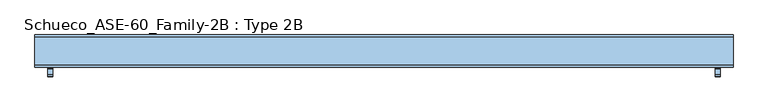
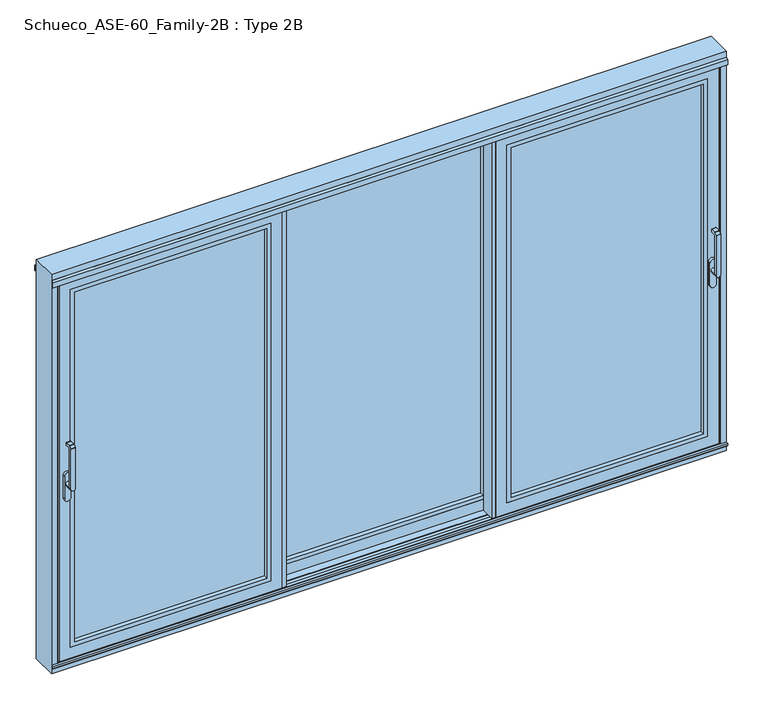
"""IFC4 building model written with IfcOpenShell, lengths in millimetres: window geometry, Schueco_ASE-60_Family-2B : Type 2B."""

from ifc_helpers import new_model, si_unit, point, frame, frame_2d, origin, origin_with_axes, place, context, project, spatial, polyline, circle_curve, trimmed, segment, composite_curve, outline, extrude, faceted_brep, source, transform, mapped, element, save
from ifc_brep_helpers import plane_surface, cylinder_surface, revolved_surface, advanced_brep


def schueco_ase_60_family_2b_type_2b_d798ba07(model_context):
    return source(origin(), model_context, "Body", "SolidModel", [
        extrude(outline(polyline([(647.6683546, 80.0), (647.6683546, 4.0000255), (596.6667615, 4.0000255), (596.6667615, 20.0000255), (643.8682895, 20.0000255), (643.8682895, 74.5), (627.6683851, 74.5), (627.6683851, 80.0), (647.6683546, 80.0)])), frame((0.0, 0.0, 3.9982816), z_axis=(0.0, 0.0, 1.0), x_axis=(1.0, 0.0, 0.0)), (0.0, 0.0, 1.0), 2127.0034368),
        extrude(outline(polyline([(-647.6683546, 80.0), (-627.6683851, 80.0), (-627.6683851, 74.5), (-643.8682895, 74.5), (-643.8682895, 20.0000255), (-596.6667615, 20.0000255), (-596.6667615, 4.0000255), (-647.6683546, 4.0000255), (-647.6683546, 80.0)])), frame((0.0, 0.0, 3.9982816), z_axis=(0.0, 0.0, 1.0), x_axis=(1.0, 0.0, 0.0)), (0.0, 0.0, 1.0), 2127.0034368),
        extrude(outline(polyline([(2071.0, -567.6666667), (64.0, -567.6666667), (64.0, 567.6666667), (2071.0, 567.6666667), (2071.0, -567.6666667)]), holes=[polyline([(2048.987351, 545.6540176), (86.012649, 545.6540176), (86.012649, -545.6540176), (2048.987351, -545.6540176), (2048.987351, 545.6540176)])]), frame((0.0, 20.0000255, 0.0), z_axis=(0.0, 1.0, 0.0), x_axis=(0.0, 0.0, 1.0)), (0.0, 0.0, 1.0), 22.9999656),
        extrude(outline(polyline([(-567.6666667, 68.9999911), (567.6666667, 68.9999911), (567.6666667, 42.9999911), (-567.6666667, 42.9999911), (-567.6666667, 68.9999911)])), frame((0.0, 0.0, 64.0), z_axis=(0.0, 0.0, 1.0), x_axis=(1.0, 0.0, 0.0)), (0.0, 0.0, 1.0), 2007.0),
        faceted_brep([(545.6666667, 68.9999911, 2049.0), (545.6666667, 80.0, 2049.0), (545.6666667, 80.0, 86.0), (545.6666667, 68.9999911, 86.0), (627.6683851, 80.0, 2131.0017184), (627.6683851, 80.0, 3.9982816), (-627.6683851, 80.0, 3.9982816), (-627.6683851, 80.0, 2131.0017184), (-545.6666667, 80.0, 2049.0), (-545.6666667, 80.0, 86.0), (-545.6666667, 68.9999911, 86.0), (-567.6666667, 68.9999911, 2071.0), (-567.6666667, 68.9999911, 64.0), (567.6666667, 68.9999911, 64.0), (567.6666667, 68.9999911, 2071.0), (-545.6666667, 68.9999911, 2049.0), (567.6666667, 20.0000255, 2071.0), (567.6666667, 20.0000255, 64.0), (-567.6666667, 20.0000255, 64.0), (-627.6666667, 20.0000255, 2131.0), (-627.6666667, 20.0000255, 4.0), (627.6666667, 20.0000255, 4.0), (627.6666667, 20.0000255, 2131.0), (-567.6666667, 20.0000255, 2071.0), (627.6666667, 25.5000255, 2131.0), (627.6666667, 25.5000255, 4.0), (-627.6666667, 25.5000255, 4.0), (-627.6666667, 25.5000255, 2131.0), (-597.6666667, 25.5000255, 2101.0), (-597.6666667, 25.5000255, 34.0), (597.6666667, 25.5000255, 34.0), (597.6666667, 25.5000255, 2101.0), (597.6666667, 74.5000332, 2101.0), (597.6666667, 74.5000332, 34.0), (-597.6666667, 74.5000332, 34.0), (-627.6683851, 74.5000332, 2131.0017184), (-627.6683851, 74.5000332, 3.9982816), (627.6683851, 74.5000332, 3.9982816), (627.6683851, 74.5000332, 2131.0017184), (-597.6666667, 74.5000332, 2101.0)], [[[0, 1, 2, 3]], [[4, 5, 6, 7], [8, 9, 2, 1]], [[3, 2, 9, 10]], [[11, 12, 13, 14], [0, 3, 10, 15]], [[16, 14, 13, 17]], [[17, 13, 12, 18]], [[19, 20, 21, 22], [16, 17, 18, 23]], [[24, 22, 21, 25]], [[25, 21, 20, 26]], [[24, 25, 26, 27], [28, 29, 30, 31]], [[32, 31, 30, 33]], [[33, 30, 29, 34]], [[35, 36, 37, 38], [32, 33, 34, 39]], [[4, 38, 37, 5]], [[5, 37, 36, 6]], [[10, 9, 8, 15]], [[18, 12, 11, 23]], [[26, 20, 19, 27]], [[34, 29, 28, 39]], [[6, 36, 35, 7]], [[15, 8, 1, 0]], [[23, 11, 14, 16]], [[27, 19, 22, 24]], [[39, 28, 31, 32]], [[7, 35, 38, 4]]]),
        advanced_brep(
        [(1699.75, -109.9999695, 1214.6494011), (1723.75, -109.9999695, 1214.6494011), (1723.75, -109.9999695, 999.0), (1699.75, -109.9999695, 999.005052), (1723.75, -73.9999695, 999.005052), (1699.75, -73.9999695, 999.005052), (1699.75, -121.414183, 1225.6502145), (1723.75, -121.414183, 1225.6502145), (1723.75, -110.6501229, 1236.4142746), (1699.75, -110.6501229, 1236.4142746), (1723.75, -121.9999695, 999.0), (1723.75, -121.9999695, 1224.2360009), (1699.75, -121.9999695, 1224.2360009), (1699.75, -121.9999695, 999.0), (1699.75, -109.2359094, 1237.000061), (1699.75, -81.9999695, 1237.000061), (1699.75, -79.9999695, 1235.000061), (1699.75, -79.9999695, 1224.000061), (1699.75, -81.9999695, 1222.000061), (1699.75, -102.6493095, 1222.000061), (1723.75, -102.6493095, 1222.000061), (1723.75, -81.9999695, 1222.000061), (1723.75, -79.9999695, 1224.000061), (1723.75, -79.9999695, 1235.000061), (1723.75, -81.9999695, 1237.000061), (1723.75, -109.2359094, 1237.000061)],
        [
            (0, 1),
            (1, 2),
            (2, 3, circle_curve(frame((1711.75, -109.9999695, 999.005052), z_axis=(0.0, -1.0, 0.0), x_axis=(-1.0, 0.0, 0.0)), 12.0)),
            (3, 0),
            (4, 5, circle_curve(frame((1711.75, -73.9999695, 999.005052), z_axis=(0.0, 1.0, 0.0), x_axis=(-1.0, 0.0, 0.0)), 12.0)),
            (5, 4, circle_curve(frame((1711.75, -73.9999695, 999.005052), z_axis=(0.0, 1.0, 0.0), x_axis=(-1.0, 0.0, 0.0)), 12.0)),
            (6, 7),
            (7, 8),
            (8, 9),
            (9, 6),
            (10, 11),
            (11, 12),
            (12, 13),
            (13, 10, circle_curve(frame((1711.75, -121.9999695, 999.005052), z_axis=(0.0, -1.0, 0.0), x_axis=(-1.0, 0.0, 0.0)), 12.0)),
            (13, 3),
            (3, 5),
            (4, 2),
            (2, 10),
            (12, 6, circle_curve(frame((1699.75, -119.9999695, 1224.2360009), z_axis=(-1.0, 0.0, 0.0), x_axis=(0.0, 0.0, -1.0)), 2.0)),
            (9, 14, circle_curve(frame((1699.75, -109.2359094, 1235.000061), z_axis=(-1.0, 0.0, 0.0), x_axis=(0.0, 0.0, -1.0)), 2.0)),
            (14, 15),
            (15, 16, circle_curve(frame((1699.75, -81.9999695, 1235.000061), z_axis=(-1.0, 0.0, 0.0), x_axis=(0.0, 0.0, -1.0)), 2.0)),
            (16, 17),
            (17, 18, circle_curve(frame((1699.75, -81.9999695, 1224.000061), z_axis=(-1.0, 0.0, 0.0), x_axis=(0.0, 0.0, -1.0)), 2.0)),
            (18, 19),
            (19, 0, circle_curve(frame((1699.75, -102.6493095, 1214.6494011), z_axis=(1.0, 0.0, 0.0), x_axis=(0.0, 0.0, -1.0)), 7.35066)),
            (1, 20, circle_curve(frame((1723.75, -102.6493095, 1214.6494011), z_axis=(-1.0, 0.0, 0.0), x_axis=(0.0, 0.0, -1.0)), 7.35066)),
            (20, 21),
            (21, 22, circle_curve(frame((1723.75, -81.9999695, 1224.000061), z_axis=(1.0, 0.0, 0.0), x_axis=(0.0, 0.0, -1.0)), 2.0)),
            (22, 23),
            (23, 24, circle_curve(frame((1723.75, -81.9999695, 1235.000061), z_axis=(1.0, 0.0, 0.0), x_axis=(0.0, 0.0, -1.0)), 2.0)),
            (24, 25),
            (25, 8, circle_curve(frame((1723.75, -109.2359094, 1235.000061), z_axis=(1.0, 0.0, 0.0), x_axis=(0.0, 0.0, -1.0)), 2.0)),
            (7, 11, circle_curve(frame((1723.75, -119.9999695, 1224.2360009), z_axis=(1.0, 0.0, 0.0), x_axis=(0.0, 0.0, -1.0)), 2.0)),
            (19, 20),
            (18, 21),
            (17, 22),
            (16, 23),
            (15, 24),
            (14, 25),
        ],
        [
            plane_surface(frame((1699.75, -109.9999695, 999.0), z_axis=(0.0, 1.0, 0.0), x_axis=(1.0, 0.0, 0.0))),
            plane_surface(frame((1699.75, -73.9999695, 999.005052), z_axis=(0.0, 1.0, 0.0), x_axis=(0.0, 0.0, -1.0))),
            plane_surface(frame((1699.75, -110.6501229, 1236.4142746), z_axis=(0.0, -0.7071067811865422, 0.7071067811865528), x_axis=(1.0, 0.0, 0.0))),
            plane_surface(frame((1699.75, -121.9999695, 999.005052), z_axis=(0.0, -1.0, 0.0), x_axis=(0.0, 0.0, 1.0))),
            cylinder_surface(frame((1711.75, -73.9999695, 999.005052), z_axis=(0.0, -1.0, 0.0), x_axis=(-1.0, 0.0, 0.0)), 12.0),
            plane_surface(frame((1699.75, -121.9999695, 1004.7503433), z_axis=(-1.0, 0.0, 0.0), x_axis=(0.0, 0.0, -1.0))),
            plane_surface(frame((1723.75, -121.9999695, 1004.7503433), z_axis=(1.0, 0.0, 0.0), x_axis=(0.0, 0.0, 1.0))),
            revolved_surface(polyline([(1723.75, -102.6493095, 1207.2987411), (1699.75, -102.6493095, 1207.2987411)]), (1723.75, -102.6493095, 1214.6494011), (1.0, 0.0, 0.0)),
            plane_surface(frame((1699.75, -102.6493095, 1222.000061), z_axis=(0.0, 0.0, -1.0), x_axis=(1.0, 0.0, 0.0))),
            cylinder_surface(frame((1723.75, -81.9999695, 1224.000061), z_axis=(-1.0, 0.0, 0.0), x_axis=(0.0, 0.0, -1.0)), 2.0),
            plane_surface(frame((1699.75, -79.9999695, 1224.000061), z_axis=(0.0, 1.0, 0.0), x_axis=(1.0, 0.0, 0.0))),
            cylinder_surface(frame((1723.75, -81.9999695, 1235.000061), z_axis=(-1.0, 0.0, 0.0), x_axis=(0.0, 0.0, -1.0)), 2.0),
            plane_surface(frame((1699.75, -81.9999695, 1237.000061), z_axis=(0.0, 0.0, 1.0), x_axis=(1.0, 0.0, 0.0))),
            cylinder_surface(frame((1723.75, -109.2359094, 1235.000061), z_axis=(-1.0, 0.0, 0.0), x_axis=(0.0, 0.0, -1.0)), 2.0),
            cylinder_surface(frame((1723.75, -119.9999695, 1224.2360009), z_axis=(-1.0, 0.0, 0.0), x_axis=(0.0, 0.0, -1.0)), 2.0),
        ],
        [
            (0, [[1, 2, 3, 4]]),
            (1, [[5, 6]]),
            (2, [[7, 8, 9, 10]]),
            (3, [[11, 12, 13, 14]]),
            (4, [[15, 16, -5, 17, 18, -14]]),
            (4, [[-16, -3, -17, -6]]),
            (5, [[19, -10, 20, 21, 22, 23, 24, 25, 26, -4, -15, -13]]),
            (6, [[-11, -18, -2, 27, 28, 29, 30, 31, 32, 33, -8, 34]]),
            (7, [[35, -27, -1, -26]]),
            (8, [[36, -28, -35, -25]]),
            (9, [[37, -29, -36, -24]]),
            (10, [[38, -30, -37, -23]]),
            (11, [[39, -31, -38, -22]]),
            (12, [[40, -32, -39, -21]]),
            (13, [[-9, -33, -40, -20]]),
            (14, [[-12, -34, -7, -19]]),
        ],
    ),
        extrude(outline(composite_curve([segment(polyline([(917.2823932, 1728.5), (1044.0099288, 1728.5)]), True, "CONTINUOUS"), segment(trimmed(circle_curve(frame_2d((1044.0099288, 1711.75)), 16.75), [point((1044.0099288, 1728.5))], [point((1044.0099288, 1695.0))], False, "CARTESIAN"), True, "CONTINUOUS"), segment(polyline([(1044.0099288, 1695.0), (917.2823932, 1695.0)]), True, "CONTINUOUS"), segment(trimmed(circle_curve(frame_2d((917.2823932, 1711.75)), 16.75), [point((917.2823932, 1695.0))], [point((917.2823932, 1728.5))], False, "CARTESIAN"), True, "CONTINUOUS")], self_intersect=False)), frame((0.0, -73.9999695, 0.0), z_axis=(0.0, 1.0, 0.0), x_axis=(0.0, 0.0, 1.0)), (0.0, 0.0, 1.0), 13.9999695),
        extrude(outline(polyline([(596.6682903, 15.9999745), (596.6682903, -2.55e-05), (549.4667622, -2.55e-05), (549.4667622, -54.5), (565.6666667, -54.5), (565.6666667, -60.0), (545.6666972, -60.0), (545.6666972, 15.9999745), (596.6682903, 15.9999745)])), frame((0.0, 0.0, 4.0), z_axis=(0.0, 0.0, 1.0), x_axis=(1.0, 0.0, 0.0)), (0.0, 0.0, 1.0), 2127.0),
        extrude(outline(polyline([(2071.0, 1690.0), (2071.0, 625.6666667), (64.0, 625.6666667), (64.0, 1690.0), (2071.0, 1690.0)]), holes=[polyline([(2048.987351, 647.6793157), (2048.987351, 1667.987351), (86.012649, 1667.987351), (86.012649, 647.6793157), (2048.987351, 647.6793157)])]), frame((0.0, -60.0, 0.0), z_axis=(0.0, 1.0, 0.0), x_axis=(0.0, 0.0, 1.0)), (0.0, 0.0, 1.0), 22.9999656),
        extrude(outline(polyline([(1690.0, -11.0000344), (1690.0, -37.0000344), (625.6666667, -37.0000344), (625.6666667, -11.0000344), (1690.0, -11.0000344)])), frame((0.0, 0.0, 64.0), z_axis=(0.0, 0.0, 1.0), x_axis=(1.0, 0.0, 0.0)), (0.0, 0.0, 1.0), 2007.0),
        faceted_brep([(1750.0, -54.5, 2131.0), (565.6666667, -54.5, 2131.0), (565.6666667, -60.0, 2131.0), (1750.0, -60.0, 2131.0), (647.6666667, -11.0000344, 2049.0), (647.6666667, -11.0000344, 86.0), (647.6666667, -2.55e-05, 86.0), (647.6666667, -2.55e-05, 2049.0), (565.6649483, -2.55e-05, 2131.0017184), (1750.0017184, -2.55e-05, 2131.0017184), (1750.0017184, -2.55e-05, 3.9982816), (565.6649483, -2.55e-05, 3.9982816), (1668.0, -2.55e-05, 2049.0), (1668.0, -2.55e-05, 86.0), (1668.0, -11.0000344, 86.0), (1690.0, -11.0000344, 2071.0), (625.6666667, -11.0000344, 2071.0), (625.6666667, -11.0000344, 64.0), (1690.0, -11.0000344, 64.0), (1668.0, -11.0000344, 2049.0), (625.6666667, -60.0, 2071.0), (625.6666667, -60.0, 64.0), (1690.0, -60.0, 64.0), (565.6666667, -60.0, 4.0), (1750.0, -60.0, 4.0), (1690.0, -60.0, 2071.0), (565.6666667, -54.5, 4.0), (1750.0, -54.5, 4.0), (1720.0, -54.5, 2101.0), (595.6666667, -54.5, 2101.0), (595.6666667, -54.5, 34.0), (1720.0, -54.5, 34.0), (595.6666667, -5.4999923, 2101.0), (595.6666667, -5.4999923, 34.0), (1750.0017184, -5.4999923, 2131.0017184), (565.6649483, -5.4999923, 2131.0017184), (565.6649483, -5.4999923, 3.9982816), (1750.0017184, -5.4999923, 3.9982816), (1720.0, -5.4999923, 2101.0), (1720.0, -5.4999923, 34.0)], [[[0, 1, 2, 3]], [[4, 5, 6, 7]], [[8, 9, 10, 11], [12, 7, 6, 13]], [[5, 14, 13, 6]], [[15, 16, 17, 18], [4, 19, 14, 5]], [[20, 21, 17, 16]], [[21, 22, 18, 17]], [[3, 2, 23, 24], [20, 25, 22, 21]], [[1, 26, 23, 2]], [[26, 27, 24, 23]], [[1, 0, 27, 26], [28, 29, 30, 31]], [[32, 33, 30, 29]], [[34, 35, 36, 37], [32, 38, 39, 33]], [[8, 11, 36, 35]], [[27, 0, 3, 24]], [[19, 4, 7, 12]], [[25, 20, 16, 15]], [[33, 39, 31, 30]], [[11, 10, 37, 36]], [[14, 19, 12, 13]], [[22, 25, 15, 18]], [[39, 38, 28, 31]], [[10, 9, 34, 37]], [[38, 32, 29, 28]], [[9, 8, 35, 34]]]),
        advanced_brep(
        [(-1699.75, -109.9999695, 1214.6494011), (-1699.75, -109.9999695, 999.0), (-1723.75, -109.9999695, 999.005052), (-1723.75, -109.9999695, 1214.6494011), (-1723.75, -73.9999695, 999.005052), (-1699.75, -73.9999695, 999.005052), (-1699.75, -121.414183, 1225.6502145), (-1699.75, -110.6501229, 1236.4142746), (-1723.75, -110.6501229, 1236.4142746), (-1723.75, -121.414183, 1225.6502145), (-1723.75, -121.9999695, 999.005052), (-1699.75, -121.9999695, 999.005052), (-1699.75, -121.9999695, 1224.2360009), (-1723.75, -121.9999695, 1224.2360009), (-1699.75, -102.6493095, 1222.000061), (-1699.75, -81.9999695, 1222.000061), (-1699.75, -79.9999695, 1224.000061), (-1699.75, -79.9999695, 1235.000061), (-1699.75, -81.9999695, 1237.000061), (-1699.75, -109.2359094, 1237.000061), (-1723.75, -109.2359094, 1237.000061), (-1723.75, -81.9999695, 1237.000061), (-1723.75, -79.9999695, 1235.000061), (-1723.75, -79.9999695, 1224.000061), (-1723.75, -81.9999695, 1222.000061), (-1723.75, -102.6493095, 1222.000061)],
        [
            (0, 1),
            (1, 2, circle_curve(frame((-1711.75, -109.9999695, 999.005052), z_axis=(0.0, -1.0, 0.0), x_axis=(1.0, 0.0, 0.0)), 12.0)),
            (2, 3),
            (3, 0),
            (4, 5, circle_curve(frame((-1711.75, -73.9999695, 999.005052), z_axis=(0.0, 1.0, 0.0), x_axis=(1.0, 0.0, 0.0)), 12.0)),
            (5, 4, circle_curve(frame((-1711.75, -73.9999695, 999.005052), z_axis=(0.0, 1.0, 0.0), x_axis=(1.0, 0.0, 0.0)), 12.0)),
            (6, 7),
            (7, 8),
            (8, 9),
            (9, 6),
            (10, 11, circle_curve(frame((-1711.75, -121.9999695, 999.005052), z_axis=(0.0, -1.0, 0.0), x_axis=(1.0, 0.0, 0.0)), 12.0)),
            (11, 12),
            (12, 13),
            (13, 10),
            (10, 2),
            (2, 4),
            (5, 1),
            (1, 11),
            (0, 14, circle_curve(frame((-1699.75, -102.6493095, 1214.6494011), z_axis=(-1.0, 0.0, 0.0), x_axis=(0.0, 0.0, -1.0)), 7.35066)),
            (14, 15),
            (15, 16, circle_curve(frame((-1699.75, -81.9999695, 1224.000061), z_axis=(1.0, 0.0, 0.0), x_axis=(0.0, 0.0, -1.0)), 2.0)),
            (16, 17),
            (17, 18, circle_curve(frame((-1699.75, -81.9999695, 1235.000061), z_axis=(1.0, 0.0, 0.0), x_axis=(0.0, 0.0, -1.0)), 2.0)),
            (18, 19),
            (19, 7, circle_curve(frame((-1699.75, -109.2359094, 1235.000061), z_axis=(1.0, 0.0, 0.0), x_axis=(0.0, 0.0, -1.0)), 2.0)),
            (6, 12, circle_curve(frame((-1699.75, -119.9999695, 1224.2360009), z_axis=(1.0, 0.0, 0.0), x_axis=(0.0, 0.0, -1.0)), 2.0)),
            (13, 9, circle_curve(frame((-1723.75, -119.9999695, 1224.2360009), z_axis=(-1.0, 0.0, 0.0), x_axis=(0.0, 0.0, -1.0)), 2.0)),
            (8, 20, circle_curve(frame((-1723.75, -109.2359094, 1235.000061), z_axis=(-1.0, 0.0, 0.0), x_axis=(0.0, 0.0, -1.0)), 2.0)),
            (20, 21),
            (21, 22, circle_curve(frame((-1723.75, -81.9999695, 1235.000061), z_axis=(-1.0, 0.0, 0.0), x_axis=(0.0, 0.0, -1.0)), 2.0)),
            (22, 23),
            (23, 24, circle_curve(frame((-1723.75, -81.9999695, 1224.000061), z_axis=(-1.0, 0.0, 0.0), x_axis=(0.0, 0.0, -1.0)), 2.0)),
            (24, 25),
            (25, 3, circle_curve(frame((-1723.75, -102.6493095, 1214.6494011), z_axis=(1.0, 0.0, 0.0), x_axis=(0.0, 0.0, -1.0)), 7.35066)),
            (25, 14),
            (24, 15),
            (23, 16),
            (22, 17),
            (21, 18),
            (20, 19),
        ],
        [
            plane_surface(frame((-1699.75, -109.9999695, 999.0), z_axis=(0.0, 1.0, 0.0), x_axis=(-1.0, 0.0, 0.0))),
            plane_surface(frame((-1699.75, -73.9999695, 999.005052), z_axis=(0.0, 1.0, 0.0), x_axis=(0.0, 0.0, -1.0))),
            plane_surface(frame((-1699.75, -110.6501229, 1236.4142746), z_axis=(0.0, -0.7071067811865422, 0.7071067811865528), x_axis=(-1.0, 0.0, 0.0))),
            plane_surface(frame((-1699.75, -121.9999695, 999.005052), z_axis=(0.0, -1.0, 0.0), x_axis=(0.0, 0.0, 1.0))),
            cylinder_surface(frame((-1711.75, -73.9999695, 999.005052), z_axis=(0.0, -1.0, 0.0), x_axis=(1.0, 0.0, 0.0)), 12.0),
            plane_surface(frame((-1699.75, -121.9999695, 1004.7503433), z_axis=(1.0, 0.0, 0.0), x_axis=(0.0, 0.0, -1.0))),
            plane_surface(frame((-1723.75, -121.9999695, 1004.7503433), z_axis=(-1.0, 0.0, 0.0), x_axis=(0.0, 0.0, 1.0))),
            revolved_surface(polyline([(-1723.75, -102.6493095, 1207.2987411), (-1699.75, -102.6493095, 1207.2987411)]), (-1723.75, -102.6493095, 1214.6494011), (-1.0, 0.0, 0.0)),
            plane_surface(frame((-1699.75, -102.6493095, 1222.000061), z_axis=(0.0, 0.0, -1.0), x_axis=(-1.0, 0.0, 0.0))),
            cylinder_surface(frame((-1723.75, -81.9999695, 1224.000061), z_axis=(1.0, 0.0, 0.0), x_axis=(0.0, 0.0, -1.0)), 2.0),
            plane_surface(frame((-1699.75, -79.9999695, 1224.000061), z_axis=(0.0, 1.0, 0.0), x_axis=(-1.0, 0.0, 0.0))),
            cylinder_surface(frame((-1723.75, -81.9999695, 1235.000061), z_axis=(1.0, 0.0, 0.0), x_axis=(0.0, 0.0, -1.0)), 2.0),
            plane_surface(frame((-1699.75, -81.9999695, 1237.000061), z_axis=(0.0, 0.0, 1.0), x_axis=(-1.0, 0.0, 0.0))),
            cylinder_surface(frame((-1723.75, -109.2359094, 1235.000061), z_axis=(1.0, 0.0, 0.0), x_axis=(0.0, 0.0, -1.0)), 2.0),
            cylinder_surface(frame((-1723.75, -119.9999695, 1224.2360009), z_axis=(1.0, 0.0, 0.0), x_axis=(0.0, 0.0, -1.0)), 2.0),
        ],
        [
            (0, [[1, 2, 3, 4]]),
            (1, [[5, 6]]),
            (2, [[7, 8, 9, 10]]),
            (3, [[11, 12, 13, 14]]),
            (4, [[-11, 15, 16, -6, 17, 18]]),
            (4, [[-5, -16, -2, -17]]),
            (5, [[-12, -18, -1, 19, 20, 21, 22, 23, 24, 25, -7, 26]]),
            (6, [[27, -9, 28, 29, 30, 31, 32, 33, 34, -3, -15, -14]]),
            (7, [[-19, -4, -34, 35]]),
            (8, [[-20, -35, -33, 36]]),
            (9, [[-21, -36, -32, 37]]),
            (10, [[-22, -37, -31, 38]]),
            (11, [[-23, -38, -30, 39]]),
            (12, [[-24, -39, -29, 40]]),
            (13, [[-25, -40, -28, -8]]),
            (14, [[-26, -10, -27, -13]]),
        ],
    ),
        extrude(outline(composite_curve([segment(trimmed(circle_curve(frame_2d((917.2823932, -1711.75)), 16.75), [point((917.2823932, -1728.5))], [point((917.2823932, -1695.0))], False, "CARTESIAN"), True, "CONTINUOUS"), segment(polyline([(917.2823932, -1695.0), (1044.0099288, -1695.0)]), True, "CONTINUOUS"), segment(trimmed(circle_curve(frame_2d((1044.0099288, -1711.75)), 16.75), [point((1044.0099288, -1695.0))], [point((1044.0099288, -1728.5))], False, "CARTESIAN"), True, "CONTINUOUS"), segment(polyline([(1044.0099288, -1728.5), (917.2823932, -1728.5)]), True, "CONTINUOUS")], self_intersect=False)), frame((0.0, -73.9999695, 0.0), z_axis=(0.0, 1.0, 0.0), x_axis=(0.0, 0.0, 1.0)), (0.0, 0.0, 1.0), 13.9999695),
        extrude(outline(polyline([(-596.6682903, 15.9999745), (-545.6666972, 15.9999745), (-545.6666972, -60.0), (-565.6666667, -60.0), (-565.6666667, -54.5), (-549.4667622, -54.5), (-549.4667622, -2.55e-05), (-596.6682903, -2.55e-05), (-596.6682903, 15.9999745)])), frame((0.0, 0.0, 4.0), z_axis=(0.0, 0.0, 1.0), x_axis=(1.0, 0.0, 0.0)), (0.0, 0.0, 1.0), 2127.0),
        extrude(outline(polyline([(2071.0, -1690.0), (64.0, -1690.0), (64.0, -625.6666667), (2071.0, -625.6666667), (2071.0, -1690.0)]), holes=[polyline([(2048.987351, -647.6793157), (86.012649, -647.6793157), (86.012649, -1667.987351), (2048.987351, -1667.987351), (2048.987351, -647.6793157)])]), frame((0.0, -60.0, 0.0), z_axis=(0.0, 1.0, 0.0), x_axis=(0.0, 0.0, 1.0)), (0.0, 0.0, 1.0), 22.9999656),
        extrude(outline(polyline([(-1690.0, -11.0000344), (-625.6666667, -11.0000344), (-625.6666667, -37.0000344), (-1690.0, -37.0000344), (-1690.0, -11.0000344)])), frame((0.0, 0.0, 64.0), z_axis=(0.0, 0.0, 1.0), x_axis=(1.0, 0.0, 0.0)), (0.0, 0.0, 1.0), 2007.0),
        faceted_brep([(-1750.0, -54.5, 2131.0), (-1750.0, -60.0, 2131.0), (-565.6666667, -60.0, 2131.0), (-565.6666667, -54.5, 2131.0), (-647.6666667, -11.0000344, 2049.0), (-647.6666667, -2.55e-05, 2049.0), (-647.6666667, -2.55e-05, 86.0), (-647.6666667, -11.0000344, 86.0), (-565.6649483, -2.55e-05, 2131.0017184), (-565.6649483, -2.55e-05, 3.9982816), (-1750.0017184, -2.55e-05, 3.9982816), (-1750.0017184, -2.55e-05, 2131.0017184), (-1668.0, -2.55e-05, 2049.0), (-1668.0, -2.55e-05, 86.0), (-1668.0, -11.0000344, 86.0), (-1690.0, -11.0000344, 2071.0), (-1690.0, -11.0000344, 64.0), (-625.6666667, -11.0000344, 64.0), (-625.6666667, -11.0000344, 2071.0), (-1668.0, -11.0000344, 2049.0), (-625.6666667, -60.0, 2071.0), (-625.6666667, -60.0, 64.0), (-1690.0, -60.0, 64.0), (-1750.0, -60.0, 4.0), (-565.6666667, -60.0, 4.0), (-1690.0, -60.0, 2071.0), (-565.6666667, -54.5, 4.0), (-1750.0, -54.5, 4.0), (-1720.0, -54.5, 2101.0), (-1720.0, -54.5, 34.0), (-595.6666667, -54.5, 34.0), (-595.6666667, -54.5, 2101.0), (-595.6666667, -5.4999923, 2101.0), (-595.6666667, -5.4999923, 34.0), (-1750.0017184, -5.4999923, 2131.0017184), (-1750.0017184, -5.4999923, 3.9982816), (-565.6649483, -5.4999923, 3.9982816), (-565.6649483, -5.4999923, 2131.0017184), (-1720.0, -5.4999923, 34.0), (-1720.0, -5.4999923, 2101.0)], [[[0, 1, 2, 3]], [[4, 5, 6, 7]], [[8, 9, 10, 11], [12, 13, 6, 5]], [[7, 6, 13, 14]], [[15, 16, 17, 18], [4, 7, 14, 19]], [[20, 18, 17, 21]], [[21, 17, 16, 22]], [[1, 23, 24, 2], [20, 21, 22, 25]], [[3, 2, 24, 26]], [[26, 24, 23, 27]], [[3, 26, 27, 0], [28, 29, 30, 31]], [[32, 31, 30, 33]], [[34, 35, 36, 37], [32, 33, 38, 39]], [[8, 37, 36, 9]], [[27, 23, 1, 0]], [[19, 12, 5, 4]], [[25, 15, 18, 20]], [[33, 30, 29, 38]], [[9, 36, 35, 10]], [[14, 13, 12, 19]], [[22, 16, 15, 25]], [[38, 29, 28, 39]], [[10, 35, 34, 11]], [[39, 28, 31, 32]], [[11, 34, 37, 8]]]),
        extrude(outline(polyline([(-1739.0, 5.0), (-1758.0007202, 5.0), (-1758.0007202, 9.0), (-1742.0, 9.0), (-1742.0, 68.2882381), (-1750.0, 71.2), (-1750.0, 80.0), (-1739.0, 80.0), (-1739.0, 5.0)])), origin_with_axes(), (0.0, 0.0, 1.0), 2157.5),
        extrude(outline(polyline([(1739.0, 5.0), (1739.0, 80.0), (1750.0, 80.0), (1750.0, 71.2), (1742.0, 68.2882381), (1742.0, 9.0), (1758.0007202, 9.0), (1758.0007202, 5.0), (1739.0, 5.0)])), origin_with_axes(), (0.0, 0.0, 1.0), 2157.5),
        faceted_brep([(1790.0, 80.0, -51.0), (1790.0, -60.0, -51.0), (-1790.0, -60.0, -51.0), (-1790.0, 80.0, -51.0), (1790.0, 80.0, 2190.0), (1790.0, -60.0, 2190.0), (-1790.0, -60.0, 2190.0), (-1758.0, -60.0, -19.0), (-1758.0, -60.0, 2157.5), (1758.0, -60.0, 2157.5), (1758.0, -60.0, -19.0), (-1790.0, 80.0, 2190.0), (-1758.0, -51.2000255, -19.0), (-1758.0, -51.2000255, 2157.5), (1758.0, -51.2000255, 2157.5), (1758.0, -51.2000255, -19.0), (1742.0, -11.7120495, -3.0), (1742.0, -48.2882636, -3.0), (1742.0, -48.2882636, 2122.0), (1742.0, -11.7120495, 2122.0), (1742.0, -11.7120495, 2155.2007202), (1742.0, -11.7120495, 2130.9120495), (1742.0, -15.8, 2135.0), (1742.0, -15.8, 2155.2007202), (1742.0, -48.2882636, 2130.9117364), (1742.0, -48.2882636, 2142.0), (1742.0, -44.2, 2142.0), (1742.0, -44.2, 2135.0), (-1742.0, -11.7120244, -3.0), (-1742.0, -48.2882385, -3.0), (1750.0, -51.2000255, -11.00007), (1750.0, -51.2000255, 2150.0), (1746.7029571, -50.0, 2129.2), (1746.7029571, -50.0, 2122.0), (1750.0007202, -8.8000255, -11.0006502), (1746.7038173, -10.0, 2122.0), (1746.7038173, -10.0, 2129.2), (1750.0007202, -8.8000255, 2155.2007202), (-1750.0, -51.2000255, -11.00007), (-1750.0, -51.2000255, 2150.0), (-1741.9999997, -48.2882635, 2122.0), (-1746.7029571, -50.0, 2122.0), (-1746.7029571, -50.0, 2129.2), (-1741.9999996, -48.2882635, 2130.9117365), (-1741.9999998, -48.2882635, 2142.0), (-1750.0007202, -8.8000255, -11.0006502), (1758.0007202, -8.8000255, 2155.2007202), (1758.0007202, -8.8000255, -19.0007202), (-1758.0007202, -8.8000255, -19.0007202), (-1758.0007202, -8.8000255, 2155.2007202), (-1750.0007202, -8.8000255, 2155.2007202), (1758.0007202, 28.7999745, -19.0007202), (1758.0007202, 28.7999745, 2155.2007202), (-1758.0007202, 28.7999745, -19.0007202), (-1758.0007202, 28.7999745, 2155.2007202), (-1742.0000001, -11.7120494, 2155.2007202), (-1742.0000002, -11.7120494, 2130.9120494), (-1746.7038173, -10.0, 2129.2), (-1746.7038173, -10.0, 2122.0), (-1742.0000003, -11.7120494, 2122.0), (1750.0007202, 28.7999745, -11.0007902), (-1750.0007202, 28.7999745, -11.0007902), (-1750.0007202, 28.7999745, 2155.2007202), (1750.0007202, 28.7999745, 2155.2007202), (1741.9999672, 31.7120105, -3.0000372), (-1741.999931, 31.712024, -3.0000001), (-1741.9999979, 31.7119993, 2122.0), (-1746.7036773, 30.0, 2122.0), (-1746.7036773, 30.0, 2129.2), (-1741.9999981, 31.7119992, 2130.9119992), (-1741.9999989, 31.7119989, 2155.2007202), (1742.0, 31.7119985, 2155.2007202), (1742.0, 31.7119985, 2130.9119985), (1746.7036773, 30.0, 2129.2), (1746.7036773, 30.0, 2122.0), (1742.0, 31.7119985, 2122.0), (1742.0, 35.8, 2155.2007202), (1742.0, 35.8, 2135.0), (1742.0, 68.2882381, -3.0), (1742.0, 68.2882381, 2122.0), (1742.0, 68.2882381, 2142.0), (1742.0, 68.2882381, 2130.9117619), (1742.0, 64.2, 2135.0), (1742.0, 64.2, 2142.0), (-1742.0, 68.2882381, -3.0), (1750.0, 71.2, -11.0), (1746.7030271, 70.0, 2122.0), (1746.7030271, 70.0, 2129.2), (1750.0, 71.2, 2150.0), (-1750.0, 71.2, -11.0), (1758.0, 71.2, -19.0), (-1758.0, 71.2, -19.0), (-1758.0, 71.2, 2157.5), (1758.0, 71.2, 2157.5), (-1750.0, 71.2, 2150.0), (-1742.0, 68.2882381, 2142.0), (-1742.0, 68.2882381, 2130.9117619), (-1746.7030271, 70.0, 2129.2), (-1746.7030271, 70.0, 2122.0), (-1742.0, 68.2882381, 2122.0), (1758.0, 80.0, -19.0), (-1758.0, 80.0, -19.0), (-1758.0, 80.0, 2157.5), (1758.0, 80.0, 2157.5), (-1742.0, 64.2, 2142.0), (-1742.0, 64.2, 2135.0), (-1742.0, 35.8, 2135.0), (-1742.0, 35.8, 2155.2007202), (-1742.0, -15.8, 2155.2007202), (-1742.0, -15.8, 2135.0), (-1742.0, -44.2, 2135.0), (-1742.0, -44.2, 2142.0)], [[[0, 1, 2, 3]], [[0, 4, 5, 1]], [[5, 6, 2, 1], [7, 8, 9, 10]], [[11, 3, 2, 6]], [[7, 12, 13, 8]], [[14, 15, 10, 9]], [[10, 15, 12, 7]], [[16, 17, 18, 19]], [[20, 21, 22, 23]], [[24, 25, 26, 27]], [[17, 16, 28, 29]], [[17, 30, 31, 25, 24, 32, 33, 18]], [[34, 16, 19, 35, 36, 21, 20, 37]], [[12, 15, 14, 13], [30, 38, 39, 31]], [[30, 17, 29, 38]], [[38, 29, 40, 41, 42, 43, 44, 39]], [[16, 34, 45, 28]], [[45, 34, 37, 46, 47, 48, 49, 50]], [[51, 47, 46, 52]], [[47, 51, 53, 48]], [[48, 53, 54, 49]], [[28, 45, 50, 55, 56, 57, 58, 59]], [[60, 61, 62, 54, 53, 51, 52, 63]], [[60, 64, 65, 61]], [[61, 65, 66, 67, 68, 69, 70, 62]], [[64, 60, 63, 71, 72, 73, 74, 75]], [[72, 71, 76, 77]], [[78, 64, 75, 79]], [[80, 81, 82, 83]], [[64, 78, 84, 65]], [[85, 78, 79, 86, 87, 81, 80, 88]], [[78, 85, 89, 84]], [[90, 91, 92, 93], [89, 85, 88, 94]], [[84, 89, 94, 95, 96, 97, 98, 99]], [[90, 100, 101, 91]], [[92, 91, 101, 102]], [[100, 90, 93, 103]], [[65, 84, 99, 66]], [[96, 95, 104, 105]], [[70, 69, 106, 107]], [[29, 28, 59, 40]], [[56, 55, 108, 109]], [[44, 43, 110, 111]], [[5, 4, 11, 6]], [[9, 8, 13, 14]], [[58, 35, 19, 18, 33, 41, 40, 59]], [[109, 22, 21, 36, 57, 56]], [[108, 23, 22, 109]], [[107, 76, 71, 63, 52, 46, 37, 20, 23, 108, 55, 50, 49, 54, 62, 70]], [[25, 44, 111, 26]], [[110, 27, 26, 111]], [[42, 32, 24, 27, 110, 43]], [[44, 25, 31, 39]], [[41, 33, 32, 42]], [[57, 36, 35, 58]], [[68, 73, 72, 77, 106, 69]], [[67, 74, 73, 68]], [[98, 86, 79, 75, 74, 67, 66, 99]], [[106, 77, 76, 107]], [[105, 82, 81, 87, 97, 96]], [[104, 83, 82, 105]], [[95, 80, 83, 104]], [[97, 87, 86, 98]], [[94, 88, 80, 95]], [[93, 92, 102, 103]], [[11, 4, 0, 3], [100, 103, 102, 101]]]),
        extrude(outline(polyline([(-73.0, -2.0), (-60.0, -2.0), (-60.0, -21.8), (-66.4, -21.8), (-73.0, -15.2), (-73.0, -2.0)])), frame((-1790.0, 0.0, 0.0), z_axis=(1.0, 0.0, 0.0), x_axis=(0.0, 1.0, 0.0)), (0.0, 0.0, 1.0), 3580.0),
        extrude(outline(polyline([(-51.2000255, 2150.5), (-68.5243789, 2150.5), (-71.0000233, 2149.0706861), (-71.0000233, 2121.5), (-72.6000233, 2121.5), (-72.6000233, 2150.225198), (-59.9996967, 2157.5), (-51.2000255, 2157.5), (-51.2000255, 2150.5)])), frame((-1790.0, 0.0, 0.0), z_axis=(1.0, 0.0, 0.0), x_axis=(0.0, 1.0, 0.0)), (0.0, 0.0, 1.0), 3580.0),
        extrude(outline(polyline([(71.2000255, 2150.5), (71.2000255, 2157.5), (79.9996967, 2157.5), (92.6000233, 2150.225198), (92.6000233, 2121.5), (91.0000233, 2121.5), (91.0000233, 2149.0706861), (88.5243789, 2150.5), (71.2000255, 2150.5)])), frame((-1790.0, 0.0, 0.0), z_axis=(1.0, 0.0, 0.0), x_axis=(0.0, 1.0, 0.0)), (0.0, 0.0, 1.0), 3580.0),
        extrude(outline(polyline([(28.7999745, -11.0007902), (28.7999745, -19.0007202), (-8.8000255, -19.0007202), (-8.8000255, -11.0006502), (-11.7120375, -2.9999628), (-18.0, -2.9999628), (-18.0, 0.0), (80.0, 0.0), (80.0, -11.0), (71.2, -11.0), (68.2882381, -3.0), (31.712024, -3.0), (28.7999745, -11.0007902)])), frame((-1758.0007202, 0.0, 0.0), z_axis=(1.0, 0.0, 0.0), x_axis=(0.0, 1.0, 0.0)), (0.0, 0.0, 1.0), 3516.0014404),
        extrude(outline(polyline([(-48.2882246, -2.9999628), (-51.2000255, -11.00007), (-51.2000255, -19.0007202), (-60.0, -19.0007202), (-60.0, 0.0), (-42.0, 0.0), (-42.0, -2.9999628), (-48.2882246, -2.9999628)])), frame((-1758.0007202, 0.0, 0.0), z_axis=(1.0, 0.0, 0.0), x_axis=(0.0, 1.0, 0.0)), (0.0, 0.0, 1.0), 3516.0014404),
    ])


if __name__ == "__main__":
    model = new_model("IFC4")
    model_context = context("Model", 3, world=origin())
    ifc_project = project(units=[si_unit("LENGTHUNIT", "METRE", prefix="MILLI")], contexts=[model_context])
    site = spatial("IfcSite", under=ifc_project)
    building = spatial("IfcBuilding", under=site)
    placement = place(None, origin())
    schueco_ase_60_family_2b_type_2b_shape = schueco_ase_60_family_2b_type_2b_d798ba07(model_context)
    element("IfcWindow", 1, ObjectType="Schueco_ASE-60_Family-2B : Type 2B", at=placement, inside=building, context=model_context, shape_type="MappedRepresentation", body=[
        mapped(schueco_ase_60_family_2b_type_2b_shape, transform((0.0, 0.0, 0.0), x_axis=(1.0, 0.0, 0.0), y_axis=(0.0, 1.0, 0.0), z_axis=(0.0, 0.0, 1.0))),
    ])
    save(model, "model.ifc")
